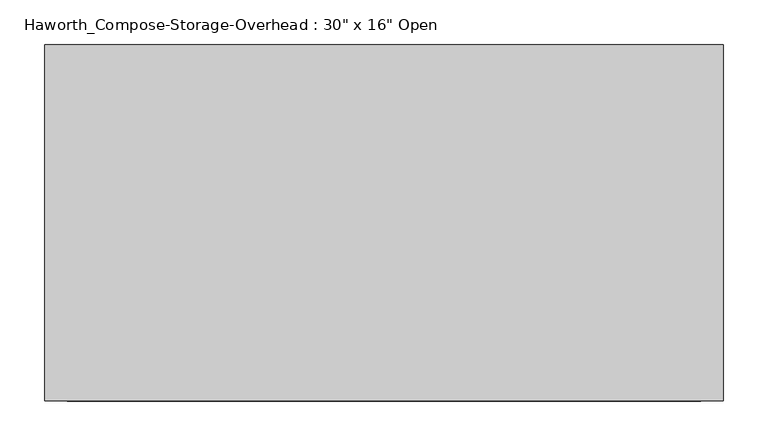
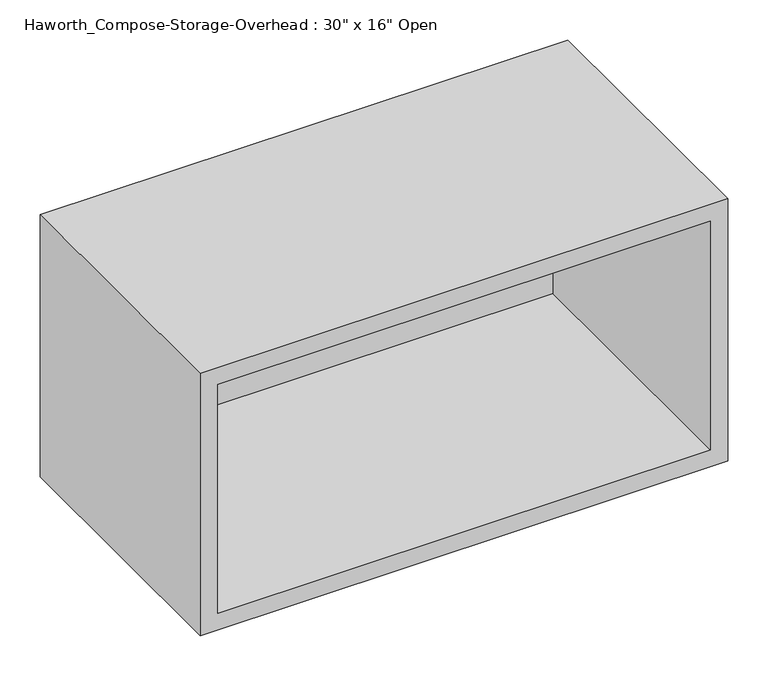
"""IFC4 building model written with IfcOpenShell, lengths in millimetres: furniture geometry."""

from ifc_helpers import new_model, si_unit, frame, origin, place, context, project, spatial, polyline, outline, extrude, source, transform, mapped, element, save


def furniture_b27c09b3(model_context):
    return source(origin(), model_context, "Body", "SweptSolid", [
        extrude(outline(polyline([(520.7, -6.35), (-190.5, -6.35), (-190.5, 0.0), (520.7, 0.0), (520.7, -6.35)])), frame((0.0, 0.0, 1295.4), z_axis=(0.0, 0.0, 1.0), x_axis=(1.0, 0.0, 0.0)), (0.0, 0.0, 1.0), 349.25),
        extrude(outline(polyline([(1270.0, 546.1), (1670.05, 546.1), (1670.05, -215.9), (1270.0, -215.9), (1270.0, 546.1)]), holes=[polyline([(1644.65, 520.7), (1295.4, 520.7), (1295.4, -190.5), (1644.65, -190.5), (1644.65, 520.7)])]), frame((0.0, -400.05, 0.0), z_axis=(0.0, 1.0, 0.0), x_axis=(0.0, 0.0, 1.0)), (0.0, 0.0, 1.0), 400.05),
    ])


if __name__ == "__main__":
    model = new_model("IFC4")
    model_context = context("Model", 3, world=origin())
    ifc_project = project(units=[si_unit("LENGTHUNIT", "METRE", prefix="MILLI")], contexts=[model_context])
    site = spatial("IfcSite", under=ifc_project)
    building = spatial("IfcBuilding", under=site)
    placement = place(None, origin())
    furniture_shape = furniture_b27c09b3(model_context)
    element("IfcFurniture", 1, ObjectType="Haworth_Compose-Storage-Overhead : 30\" x 16\" Open", at=placement, inside=building, context=model_context, shape_type="MappedRepresentation", body=[
        mapped(furniture_shape, transform((0.0, 0.0, 0.0), x_axis=(1.0, 0.0, 0.0), y_axis=(0.0, 1.0, 0.0), z_axis=(0.0, 0.0, 1.0))),
    ])
    save(model, "model.ifc")
